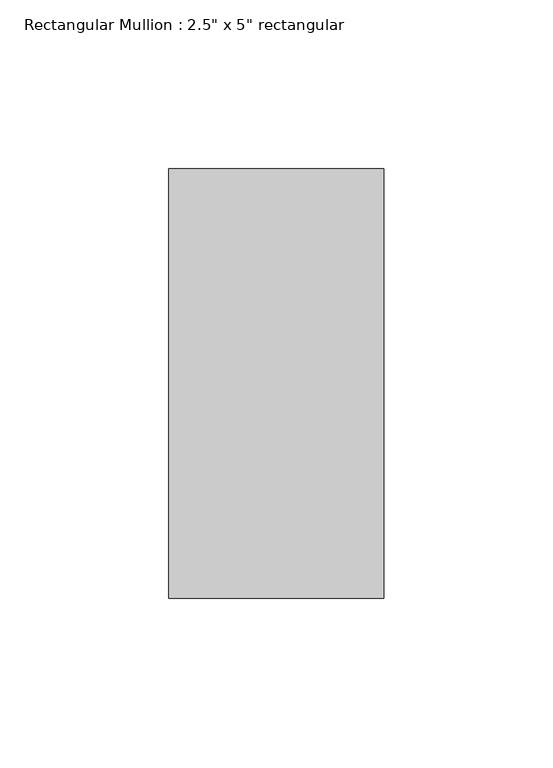
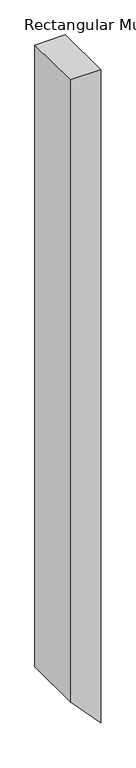
"""IFC4 building model written with IfcOpenShell, lengths in millimetres: member geometry."""

from ifc_helpers import new_model, si_unit, frame, origin, place, context, project, spatial, polyline, outline, extrude, source, transform, mapped, element, save


def member_06663a41(model_context):
    return source(origin(), model_context, "Body", "SweptSolid", [
        extrude(outline(polyline([(0.0, 0.0), (0.0, -63.5), (-1369.3527992, -63.5), (-1438.0679943, 0.0), (0.0, 0.0)])), frame((0.0, -63.5, 0.0), z_axis=(0.0, 1.0, 0.0), x_axis=(0.0, 0.0, 1.0)), (0.0, 0.0, 1.0), 127.0),
    ])


if __name__ == "__main__":
    model = new_model("IFC4")
    model_context = context("Model", 3, world=origin())
    ifc_project = project(units=[si_unit("LENGTHUNIT", "METRE", prefix="MILLI")], contexts=[model_context])
    site = spatial("IfcSite", under=ifc_project)
    building = spatial("IfcBuilding", under=site)
    placement = place(None, origin())
    member_shape = member_06663a41(model_context)
    element("IfcMember", 1, ObjectType="Rectangular Mullion : 2.5\" x 5\" rectangular", at=placement, inside=building, context=model_context, shape_type="MappedRepresentation", body=[
        mapped(member_shape, transform((0.0, 0.0, 0.0), x_axis=(1.0, 0.0, 0.0), y_axis=(0.0, 1.0, 0.0), z_axis=(0.0, 0.0, 1.0))),
    ])
    save(model, "model.ifc")
